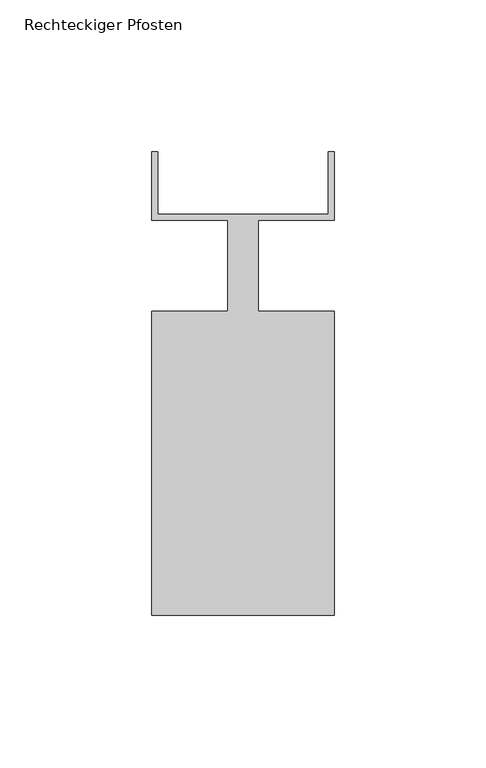
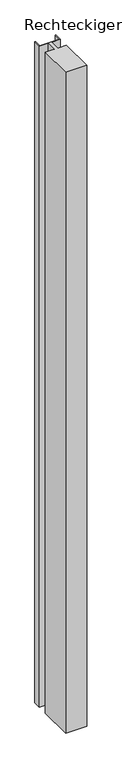
"""IFC4 building model written with IfcOpenShell, lengths in millimetres: member geometry, Rechteckiger Pfosten."""

from ifc_helpers import new_model, si_unit, frame, origin, place, context, project, spatial, polyline, outline, extrude, source, transform, mapped, element, save


def rechteckiger_pfosten_b1734694(model_context):
    return source(origin(), model_context, "Body", "SweptSolid", [
        extrude(outline(polyline([(-2.0, 37.5), (0.0, 37.5), (0.0, 15.0), (-25.0, 15.0), (-25.0, -15.0), (0.0, -15.0), (0.0, -115.0), (-60.0, -115.0), (-60.0, -15.0), (-35.0, -15.0), (-35.0, 15.0), (-60.0, 15.0), (-60.0, 37.5), (-58.0, 37.5), (-58.0, 17.0), (-2.0, 17.0), (-2.0, 37.5)])), frame((0.0, 0.0, -2000.0), z_axis=(0.0, 0.0, 1.0), x_axis=(1.0, 0.0, 0.0)), (0.0, 0.0, 1.0), 2000.0),
    ])


if __name__ == "__main__":
    model = new_model("IFC4")
    model_context = context("Model", 3, world=origin())
    ifc_project = project(units=[si_unit("LENGTHUNIT", "METRE", prefix="MILLI")], contexts=[model_context])
    site = spatial("IfcSite", under=ifc_project)
    building = spatial("IfcBuilding", under=site)
    placement = place(None, origin())
    rechteckiger_pfosten_shape = rechteckiger_pfosten_b1734694(model_context)
    element("IfcMember", 1, ObjectType="Rechteckiger Pfosten", at=placement, inside=building, context=model_context, shape_type="MappedRepresentation", body=[
        mapped(rechteckiger_pfosten_shape, transform((0.0, 0.0, 0.0), x_axis=(1.0, 0.0, 0.0), y_axis=(0.0, 1.0, 0.0), z_axis=(0.0, 0.0, 1.0))),
    ])
    save(model, "model.ifc")
